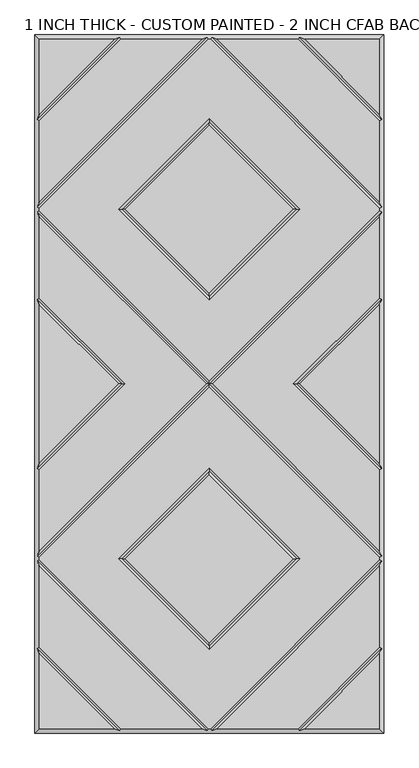
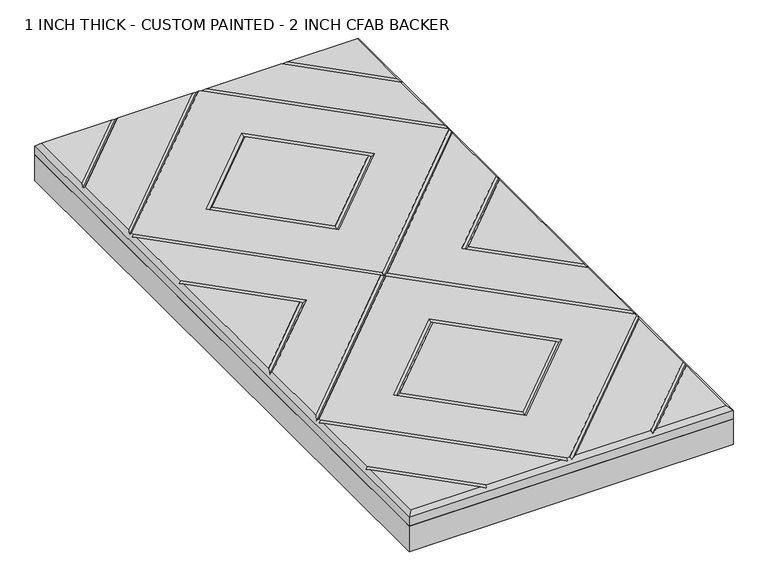
"""IFC4 building model written with IfcOpenShell, lengths in millimetres: proxy geometry, 1 INCH THICK - CUSTOM PAINTED - 2 INCH CFAB BACKER."""

from ifc_helpers import new_model, si_unit, frame, origin, place, context, project, spatial, polyline, outline, extrude, faceted_brep, source, transform, mapped, element, save


def proxy_1_inch_thick_custom_painted_2_inch_cfab_backer_644a4aff(model_context):
    return source(origin(), model_context, "Body", "SolidModel", [
        extrude(outline(polyline([(-304.8, 609.6), (304.8, 609.6), (304.8, -609.6), (-304.8, -609.6), (-304.8, 609.6)])), frame((0.0, 0.0, -50.8), z_axis=(0.0, 0.0, 1.0), x_axis=(1.0, 0.0, 0.0)), (0.0, 0.0, 1.0), 50.8),
        faceted_brep([(296.799, 470.8590948, 25.4), (296.799, 601.599, 25.4), (166.0590948, 601.599, 25.4), (-166.0590948, 601.599, 25.4), (-296.799, 601.599, 25.4), (-296.799, 470.8590948, 25.4), (2.3434141, 601.599, 25.4), (-2.343464, 601.599, 25.4), (-296.799, 307.143464, 25.4), (-296.799, 302.4565868, 25.4), (0.0, 5.6575868, 25.4), (296.799, 302.4565868, 25.4), (296.799, 307.1434632, 25.4), (158.0575614, 304.8000254, 25.4), (0.0, 146.742464, 25.4), (-158.0575614, 304.8000254, 25.4), (0.0, 462.8575868, 25.4), (166.0590079, -601.599, 25.4), (296.799, -601.599, 25.4), (296.799, -470.8585721, 25.4), (-296.799, -601.599, 25.4), (-166.0590079, -601.599, 25.4), (-296.799, -470.8585721, 25.4), (-154.743972, 601.599, 25.4), (-296.799, 459.543972, 25.4), (-296.799, 318.4585868, 25.4), (-13.6585868, 601.599, 25.4), (-2.3434382, -601.599, 25.4), (2.3434382, -601.599, 25.4), (296.799, -307.1434137, 25.4), (296.799, -302.456536, 25.4), (0.0, -5.657536, 25.4), (-296.799, -302.456536, 25.4), (-296.799, -307.1434137, 25.4), (-158.0575614, -304.7999746, 25.4), (0.0, -146.7424132, 25.4), (158.0575614, -304.7999746, 25.4), (0.0, -462.857536, 25.4), (13.6585378, 601.599, 25.4), (296.799, 318.458585, 25.4), (296.799, 459.543972, 25.4), (154.743972, 601.599, 25.4), (296.799, -318.4585369, 25.4), (13.6585605, -601.599, 25.4), (154.743904, -601.599, 25.4), (296.799, -459.5434305, 25.4), (-13.6585605, -601.599, 25.4), (-296.799, -318.4585369, 25.4), (-296.799, -459.5434305, 25.4), (-154.743904, -601.599, 25.4), (0.0, 158.0575868, 25.4), (146.7424386, 304.8000254, 25.4), (0.0, 451.542464, 25.4), (-146.7424386, 304.8000254, 25.4), (-296.799, 291.141464, 25.4), (-296.799, 150.0565868, 25.4), (-146.7424386, 2.54e-05, 25.4), (-296.799, -150.056536, 25.4), (-296.799, -291.1414132, 25.4), (-5.6575614, 2.54e-05, 25.4), (-296.799, 138.741464, 25.4), (-296.799, -138.7414132, 25.4), (-158.0575614, 2.54e-05, 25.4), (5.6575614, 2.54e-05, 25.4), (296.799, -291.1414132, 25.4), (296.799, -150.056536, 25.4), (146.7424386, 2.54e-05, 25.4), (296.799, 150.0565868, 25.4), (296.799, 291.141464, 25.4), (296.799, -138.7414132, 25.4), (296.799, 138.741464, 25.4), (158.0575614, 2.54e-05, 25.4), (0.0, -158.057536, 25.4), (-146.7424386, -304.7999746, 25.4), (0.0, -451.5424132, 25.4), (146.7424386, -304.7999746, 25.4), (-304.8, 609.6, 0.0), (304.8, 609.6, 0.0), (304.8, -609.6, 0.0), (-304.8, -609.6, 0.0), (-304.8, -609.6, 17.399), (-304.8, 609.6, 17.399), (304.8, -609.6, 17.399), (304.8, 609.6, 17.399), (-156.4010334, 605.5995, 21.3995), (-4.0005254, 605.5995, 21.3995), (4.0004753, 605.5995, 21.3995), (156.4010334, 605.5995, 21.3995), (-300.7995, -461.2004879, 21.3995), (-300.7995, -308.8004749, 21.3995), (-300.7995, -300.7994746, 21.3995), (-300.7995, -148.3994746, 21.3995), (-300.7995, 148.3995254, 21.3995), (-300.7995, 300.7995254, 21.3995), (-300.7995, 308.8005254, 21.3995), (-300.7995, 461.2010334, 21.3995), (156.4009693, -605.5995, 21.3995), (4.0004997, -605.5995, 21.3995), (-4.0004997, -605.5995, 21.3995), (-156.4009693, -605.5995, 21.3995), (300.7995, 461.2010334, 21.3995), (300.7995, 308.8005247, 21.3995), (300.7995, 300.7995254, 21.3995), (300.7995, 148.3995254, 21.3995), (300.7995, -148.3994746, 21.3995), (300.7995, -300.7994746, 21.3995), (300.7995, -308.8004749, 21.3995), (300.7995, -461.2004879, 21.3995), (0.0, 2.54e-05, 21.3995), (152.4, 304.8000254, 21.3995), (0.0, 152.4000254, 21.3995), (-152.4, 304.8000254, 21.3995), (0.0, 457.2000254, 21.3995), (-152.4, 2.54e-05, 21.3995), (152.4, 2.54e-05, 21.3995), (0.0, -152.3999746, 21.3995), (-152.4, -304.7999746, 21.3995), (0.0, -457.1999746, 21.3995), (152.4, -304.7999746, 21.3995)], [[[0, 1, 2]], [[3, 4, 5]], [[6, 7, 8, 9, 10, 11, 12], [13, 14, 15, 16]], [[17, 18, 19]], [[20, 21, 22]], [[23, 24, 25, 26]], [[27, 28, 29, 30, 31, 32, 33], [34, 35, 36, 37]], [[38, 39, 40, 41]], [[42, 43, 44, 45]], [[46, 47, 48, 49]], [[50, 51, 52, 53]], [[54, 55, 56, 57, 58, 59]], [[60, 61, 62]], [[63, 64, 65, 66, 67, 68]], [[69, 70, 71]], [[72, 73, 74, 75]], [[76, 77, 78, 79]], [[76, 79, 80, 81]], [[79, 78, 82, 80]], [[78, 77, 83, 82]], [[77, 76, 81, 83]], [[81, 4, 3, 84, 23, 26, 85, 7, 6, 86, 38, 41, 87, 2, 1, 83]], [[4, 81, 80, 20, 22, 88, 48, 47, 89, 33, 32, 90, 58, 57, 91, 61, 60, 92, 55, 54, 93, 9, 8, 94, 25, 24, 95, 5]], [[20, 80, 82, 18, 17, 96, 44, 43, 97, 28, 27, 98, 46, 49, 99, 21]], [[83, 1, 0, 100, 40, 39, 101, 12, 11, 102, 68, 67, 103, 70, 69, 104, 65, 64, 105, 30, 29, 106, 42, 45, 107, 19, 18, 82]], [[84, 95, 24, 23]], [[95, 84, 3, 5]], [[101, 86, 6, 12]], [[86, 101, 39, 38]], [[85, 94, 8, 7]], [[94, 85, 26, 25]], [[9, 93, 108, 10]], [[105, 64, 63, 108]], [[93, 54, 59, 108]], [[30, 105, 108, 31]], [[106, 97, 43, 42]], [[97, 106, 29, 28]], [[98, 89, 47, 46]], [[89, 98, 27, 33]], [[109, 110, 14, 13]], [[110, 109, 51, 50]], [[14, 110, 111, 15]], [[110, 50, 53, 111]], [[15, 111, 112, 16]], [[111, 53, 52, 112]], [[109, 13, 16, 112]], [[51, 109, 112, 52]], [[87, 100, 0, 2]], [[100, 87, 41, 40]], [[113, 56, 55, 92]], [[62, 113, 92, 60]], [[56, 113, 91, 57]], [[113, 62, 61, 91]], [[90, 108, 59, 58]], [[108, 102, 11, 10]], [[108, 90, 32, 31]], [[102, 108, 63, 68]], [[114, 71, 70, 103]], [[66, 114, 103, 67]], [[71, 114, 104, 69]], [[114, 66, 65, 104]], [[115, 116, 73, 72]], [[116, 115, 35, 34]], [[73, 116, 117, 74]], [[116, 34, 37, 117]], [[74, 117, 118, 75]], [[117, 37, 36, 118]], [[115, 72, 75, 118]], [[35, 115, 118, 36]], [[88, 99, 49, 48]], [[99, 88, 22, 21]], [[107, 96, 17, 19]], [[96, 107, 45, 44]]]),
    ])


if __name__ == "__main__":
    model = new_model("IFC4")
    model_context = context("Model", 3, world=origin())
    ifc_project = project(units=[si_unit("LENGTHUNIT", "METRE", prefix="MILLI")], contexts=[model_context])
    site = spatial("IfcSite", under=ifc_project)
    building = spatial("IfcBuilding", under=site)
    placement = place(None, origin())
    proxy_1_inch_thick_custom_painted_2_inch_cfab_backer_shape = proxy_1_inch_thick_custom_painted_2_inch_cfab_backer_644a4aff(model_context)
    element("IfcBuildingElementProxy", 1, Name="1 INCH THICK - CUSTOM PAINTED - 2 INCH CFAB BACKER", ObjectType="1 INCH THICK - CUSTOM PAINTED - 2 INCH CFAB BACKER", at=placement, inside=building, context=model_context, shape_type="MappedRepresentation", body=[
        mapped(proxy_1_inch_thick_custom_painted_2_inch_cfab_backer_shape, transform((0.0, 0.0, 0.0), x_axis=(1.0, 0.0, 0.0), y_axis=(0.0, 1.0, 0.0), z_axis=(0.0, 0.0, 1.0))),
    ])
    save(model, "model.ifc")
